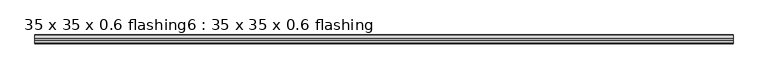
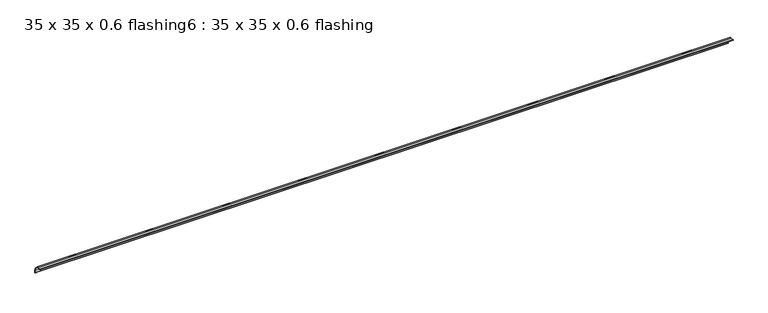
"""IFC4 building model written with IfcOpenShell, lengths in millimetres: proxy geometry, 35 x 35 x 0.6 flashing6 : 35 x 35 x 0.6 flashing."""

from ifc_helpers import new_model, si_unit, point, frame, frame_2d, origin, place, context, project, spatial, polyline, circle_curve, trimmed, segment, composite_curve, outline, extrude, source, transform, mapped, element, save


def proxy_35_x_35_x_0_6_flashing6_35_x_35_x_0_6_flashing_036c0034(model_context):
    return source(origin(), model_context, "Body", "SweptSolid", [
        extrude(outline(composite_curve([segment(polyline([(-1185.8701898, 1397.1787912), (-1185.8701898, 1412.7645777), (-1197.4943261, 1424.3887139), (-1213.0801125, 1424.3887139)]), True, "CONTINUOUS"), segment(trimmed(circle_curve(frame_2d((-1213.0801125, 1425.3887139)), 1.0), [point((-1213.0801125, 1424.3887139))], [point((-1213.0801125, 1426.3887139))], False, "CARTESIAN"), True, "CONTINUOUS"), segment(polyline([(-1213.0801125, 1426.3887139), (-1204.0474351, 1426.3887139), (-1204.0474351, 1425.3887139), (-1197.0801125, 1425.3887139), (-1184.8701898, 1413.1787912), (-1184.8701898, 1406.2114686), (-1183.8701898, 1406.2114686), (-1183.8701898, 1397.1787912)]), True, "CONTINUOUS"), segment(trimmed(circle_curve(frame_2d((-1184.8701898, 1397.1787912)), 1.0), [point((-1183.8701898, 1397.1787912))], [point((-1185.8701898, 1397.1787912))], False, "CARTESIAN"), True, "CONTINUOUS")], self_intersect=False)), frame((-7919.6640929, 0.0, 0.0), z_axis=(1.0, 0.0, 0.0), x_axis=(0.0, 1.0, 0.0)), (0.0, 0.0, 1.0), 2410.6438934),
    ])


if __name__ == "__main__":
    model = new_model("IFC4")
    model_context = context("Model", 3, world=origin())
    ifc_project = project(units=[si_unit("LENGTHUNIT", "METRE", prefix="MILLI")], contexts=[model_context])
    site = spatial("IfcSite", under=ifc_project)
    building = spatial("IfcBuilding", under=site)
    placement = place(None, origin())
    proxy_35_x_35_x_0_6_flashing6_35_x_35_x_0_6_flashing_shape = proxy_35_x_35_x_0_6_flashing6_35_x_35_x_0_6_flashing_036c0034(model_context)
    element("IfcBuildingElementProxy", 1, Name="35 x 35 x 0.6 flashing6 : 35 x 35 x 0.6 flashing", ObjectType="35 x 35 x 0.6 flashing6 : 35 x 35 x 0.6 flashing", at=placement, inside=building, context=model_context, shape_type="MappedRepresentation", body=[
        mapped(proxy_35_x_35_x_0_6_flashing6_35_x_35_x_0_6_flashing_shape, transform((0.0, 0.0, 0.0), x_axis=(1.0, 0.0, 0.0), y_axis=(0.0, 1.0, 0.0), z_axis=(0.0, 0.0, 1.0))),
    ])
    save(model, "model.ifc")
